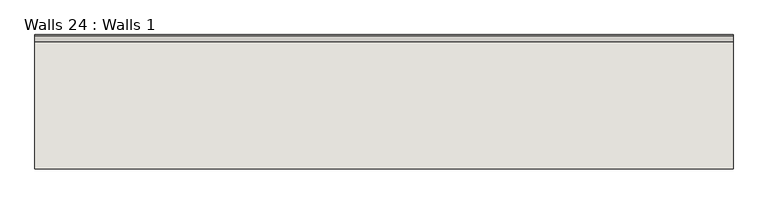
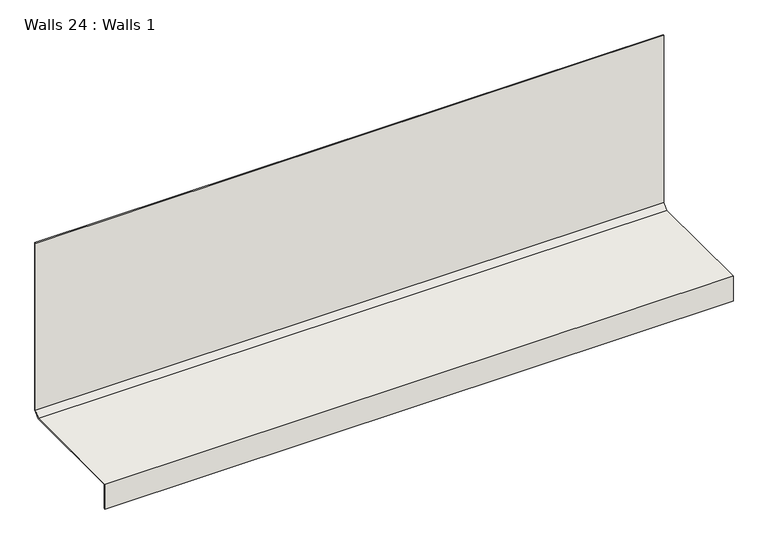
"""IFC4 building model written with IfcOpenShell, lengths in millimetres: wall geometry, Walls 24 : Walls 1."""

from ifc_helpers import new_model, si_unit, frame, origin, place, context, project, spatial, polyline, outline, extrude, source, transform, mapped, element, save


def walls_24_walls_1_e11f27a1(model_context):
    return source(origin(), model_context, "Body", "SweptSolid", [
        extrude(outline(polyline([(2290.1197794, 307.9732159), (2307.3116916, 325.1651281), (2307.3116916, 896.4914174), (2310.4866916, 896.4914174), (2310.4866916, 323.85), (2291.4366916, 304.8), (1922.4140376, 304.8), (1922.4140376, 222.3311462), (1919.2390376, 222.3311462), (1919.2390376, 307.9732159), (2290.1197794, 307.9732159)])), frame((965.49031, 0.0, 0.0), z_axis=(1.0, 0.0, 0.0), x_axis=(0.0, 1.0, 0.0)), (0.0, 0.0, 1.0), 2032.0),
    ])


if __name__ == "__main__":
    model = new_model("IFC4")
    model_context = context("Model", 3, world=origin())
    ifc_project = project(units=[si_unit("LENGTHUNIT", "METRE", prefix="MILLI")], contexts=[model_context])
    site = spatial("IfcSite", under=ifc_project)
    building = spatial("IfcBuilding", under=site)
    placement = place(None, origin())
    walls_24_walls_1_shape = walls_24_walls_1_e11f27a1(model_context)
    element("IfcWall", 1, ObjectType="Walls 24 : Walls 1", at=placement, inside=building, context=model_context, shape_type="MappedRepresentation", body=[
        mapped(walls_24_walls_1_shape, transform((0.0, 0.0, 0.0), x_axis=(1.0, 0.0, 0.0), y_axis=(0.0, 1.0, 0.0), z_axis=(0.0, 0.0, 1.0))),
    ])
    save(model, "model.ifc")
